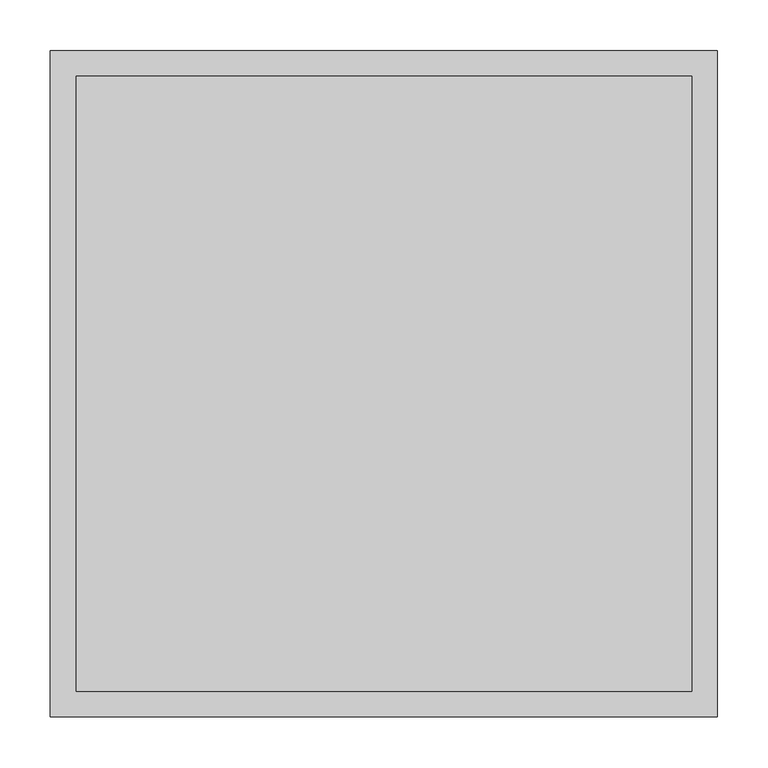
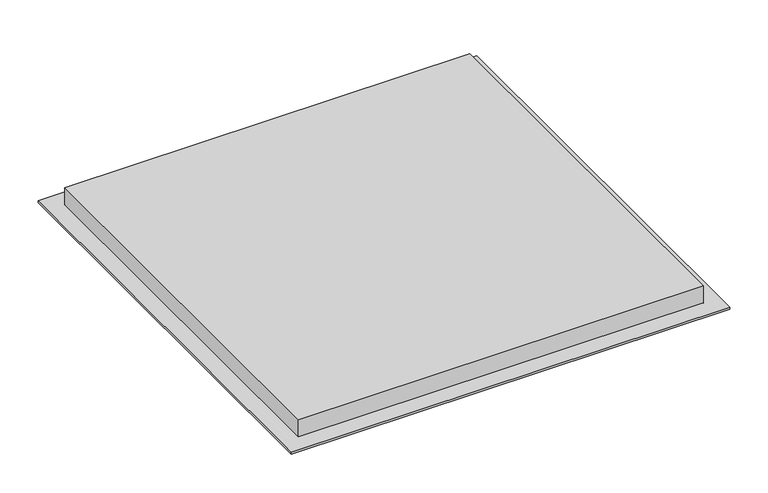
"""IFC4 building model written with IfcOpenShell, lengths in millimetres: proxy geometry."""

import ifcopenshell
import ifcopenshell.guid

model = None  # the IFC model being written
_history = None  # IfcOwnerHistory: only IFC2X3 demands one
_inside = {}  # id of a spatial element -> (the spatial element, [elements in it])
_under = {}  # id of a project, library or spatial element -> (it, [spatial elements below it])
_declared = {}  # id of a project -> (the project, [libraries it declares])
_typed = {}  # id of a type object -> (the type object, [elements of that type])
_made_of = {}  # id of a material, layer set ... -> (it, [elements and type objects made of it])


def new_model(schema):
    """Start an empty IFC model of exactly this schema.

    Asked for "IFC4X3", IfcOpenShell would pick the latest addendum, in which some entities
    have other attributes; the version numbers below select the first issue.
    IFC2X3 requires an IfcOwnerHistory on every rooted entity: one is made here for all.
    """
    global model, _history
    if schema == "IFC4X3":
        model = ifcopenshell.file(schema_version=(4, 3, 0, 0))
    else:
        model = ifcopenshell.file(schema=schema)
    _inside.clear()
    _under.clear()
    _declared.clear()
    _typed.clear()
    _made_of.clear()
    _history = None
    if model.schema == "IFC2X3":
        org = make("IfcOrganization", Name="unknown")
        user = make(
            "IfcPersonAndOrganization",
            ThePerson=make("IfcPerson", FamilyName="unknown"),
            TheOrganization=org,
        )
        app = make(
            "IfcApplication",
            ApplicationDeveloper=org,
            Version="unknown",
            ApplicationFullName="unknown",
            ApplicationIdentifier="unknown",
        )
        _history = make(
            "IfcOwnerHistory",
            OwningUser=user,
            OwningApplication=app,
            ChangeAction="ADDED",
            CreationDate=0,
        )
    return model


def make(cls, **values):
    """One entity of the class cls with the attributes given. An attribute that is None is left unset."""
    return model.create_entity(
        cls, **{name: value for name, value in values.items() if value is not None}
    )


def rooted(cls, **values):
    """An entity with a GlobalId (a new one), such as an element, a storey or a relation."""
    return make(cls, GlobalId=ifcopenshell.guid.new(), OwnerHistory=_history, **values)


def si_unit(unit_type, name, prefix=None):
    """IfcSIUnit, for example si_unit("LENGTHUNIT", "METRE", prefix="MILLI")."""
    return make("IfcSIUnit", UnitType=unit_type, Prefix=prefix, Name=name)


def assignment(units):
    """IfcUnitAssignment: the units of a project."""
    return None if units is None else make("IfcUnitAssignment", Units=units)


def point(xyz):
    """IfcCartesianPoint."""
    return None if xyz is None else make("IfcCartesianPoint", Coordinates=xyz)


def direction(xyz):
    """IfcDirection."""
    return None if xyz is None else make("IfcDirection", DirectionRatios=xyz)


def frame(location, z_axis=None, x_axis=None):
    """IfcAxis2Placement3D, a coordinate frame: its origin and axes. An axis left out is left unset."""
    return make(
        "IfcAxis2Placement3D",
        Location=point(location),
        Axis=direction(z_axis),
        RefDirection=direction(x_axis),
    )


def origin():
    """The frame at (0, 0, 0) with its axes left unset."""
    return frame((0.0, 0.0, 0.0))


def place(relative_to, where):
    """IfcLocalPlacement: puts the frame where relative to a parent placement (None: the world)."""
    return make(
        "IfcLocalPlacement", PlacementRelTo=relative_to, RelativePlacement=where
    )


def context(
    kind, dimensions, precision=None, world=None, true_north=None, identifier=None
):
    """IfcGeometricRepresentationContext, for example the 3D "Model" context."""
    return make(
        "IfcGeometricRepresentationContext",
        ContextIdentifier=identifier,
        ContextType=kind,
        CoordinateSpaceDimension=dimensions,
        Precision=precision,
        WorldCoordinateSystem=world,
        TrueNorth=true_north,
    )


def project(units=None, contexts=None):
    """IfcProject with its units and contexts."""
    return rooted(
        "IfcProject",
        Name="project",
        RepresentationContexts=contexts,
        UnitsInContext=assignment(units),
    )


def spatial(cls, under=None, at=None, **own):
    """A site, building, storey or space (cls), placed at a placement, below another one or the project."""
    s = rooted(cls, ObjectPlacement=at, **own)
    if under is not None:
        _under.setdefault(under.id(), (under, []))[1].append(s)
    return s


def polyline(points):
    """IfcPolyline through the points."""
    return make("IfcPolyline", Points=[point(p) for p in points])


def ellipse_curve(where, semi_axis1, semi_axis2):
    """IfcEllipse in the frame where."""
    return make(
        "IfcEllipse", Position=where, SemiAxis1=semi_axis1, SemiAxis2=semi_axis2
    )


def outline(outer, holes=None, kind="AREA"):
    """IfcArbitraryClosedProfileDef: a profile drawn as a closed curve; with holes, ...WithVoids."""
    if holes is None:
        return make("IfcArbitraryClosedProfileDef", ProfileType=kind, OuterCurve=outer)
    return make(
        "IfcArbitraryProfileDefWithVoids",
        ProfileType=kind,
        OuterCurve=outer,
        InnerCurves=holes,
    )


def extrude(swept, where, along, depth):
    """IfcExtrudedAreaSolid: the profile swept, set in the frame where, extruded along a direction by depth."""
    return make(
        "IfcExtrudedAreaSolid",
        SweptArea=swept,
        Position=where,
        ExtrudedDirection=direction(along),
        Depth=depth,
    )


def shape(context_of_items, identifier, shape_type, items):
    """IfcShapeRepresentation: the items that make up one representation, for example the "Body"."""
    return make(
        "IfcShapeRepresentation",
        ContextOfItems=context_of_items,
        RepresentationIdentifier=identifier,
        RepresentationType=shape_type,
        Items=items,
    )


def source(mapping_origin, context_of_items, identifier, shape_type, items):
    """IfcRepresentationMap: a shape defined once, which mapped items show again and again."""
    return make(
        "IfcRepresentationMap",
        MappingOrigin=mapping_origin,
        MappedRepresentation=shape(context_of_items, identifier, shape_type, items),
    )


def transform(
    local_origin,
    x_axis=None,
    y_axis=None,
    z_axis=None,
    scale=None,
    scale2=None,
    scale3=None,
    uniform=True,
):
    """IfcCartesianTransformationOperator3D, or its non-uniform kind. x_axis, y_axis, z_axis: its Axis1, 2, 3."""
    if uniform:
        return make(
            "IfcCartesianTransformationOperator3D",
            Axis1=direction(x_axis),
            Axis2=direction(y_axis),
            LocalOrigin=point(local_origin),
            Scale=scale,
            Axis3=direction(z_axis),
        )
    return make(
        "IfcCartesianTransformationOperator3DnonUniform",
        Axis1=direction(x_axis),
        Axis2=direction(y_axis),
        LocalOrigin=point(local_origin),
        Scale=scale,
        Axis3=direction(z_axis),
        Scale2=scale2,
        Scale3=scale3,
    )


def mapped(mapping_source, mapping_target):
    """IfcMappedItem: shows the shape of a source again, moved by a transform."""
    return make(
        "IfcMappedItem", MappingSource=mapping_source, MappingTarget=mapping_target
    )


def made_of(thing, what):
    """Note that an element or type object is made of a material, layer set ...; save() writes the relation."""
    if what is not None:
        _made_of.setdefault(what.id(), (what, []))[1].append(thing)
    return thing


def element(
    cls,
    number,
    at=None,
    inside=None,
    cuts=None,
    type_object=None,
    material=None,
    context=None,
    identifier="Body",
    shape_type=None,
    held_by="IfcProductDefinitionShape",
    body=None,
    shapes=None,
    **own,
):
    """One element of the class cls, such as IfcWall. Its Tag is "e" and its number.

    at: its placement. inside: the storey or other place that contains it. cuts: it is an
    opening in that element (IfcRelVoidsElement). A single representation is given by context,
    identifier, shape_type and body (its items); several are given by shapes. held_by: the class
    of the entity that holds the representations. save() writes the other relations.
    """
    e = rooted(cls, Tag="e%d" % number, ObjectPlacement=at, **own)
    if body is not None:
        shapes = [shape(context, identifier, shape_type, body)]
    if shapes is not None:
        e.Representation = make(held_by, Representations=shapes)
    if inside is not None:
        _inside.setdefault(inside.id(), (inside, []))[1].append(e)
    if cuts is not None:
        rooted(
            "IfcRelVoidsElement", RelatingBuildingElement=cuts, RelatedOpeningElement=e
        )
    if type_object is not None:
        _typed.setdefault(type_object.id(), (type_object, []))[1].append(e)
    return made_of(e, material)


def aggregate(whole, parts):
    """IfcRelAggregates: a whole, such as a stair, and the parts it consists of."""
    return rooted("IfcRelAggregates", RelatingObject=whole, RelatedObjects=parts)


def save(model, path):
    """Write the relations noted so far, then the file.

    IfcRelAggregates (storeys below a building ...), IfcRelContainedInSpatialStructure (elements
    in a storey), IfcRelDefinesByType, IfcRelAssociatesMaterial and IfcRelDeclares: one each for
    every whole, place, type object, material and project.
    """
    for whole, parts in _under.values():
        aggregate(whole, parts)
    for where, things in _inside.values():
        rooted(
            "IfcRelContainedInSpatialStructure",
            RelatedElements=things,
            RelatingStructure=where,
        )
    for kind, things in _typed.values():
        rooted("IfcRelDefinesByType", RelatedObjects=things, RelatingType=kind)
    for what, things in _made_of.values():
        rooted("IfcRelAssociatesMaterial", RelatedObjects=things, RelatingMaterial=what)
    for by, libraries in _declared.values():
        rooted("IfcRelDeclares", RelatingContext=by, RelatedDefinitions=libraries)
    model.write(path)


def plane_surface(at):
    """IfcPlane: the flat surface through the origin of the frame at, square to its z axis."""
    return make("IfcPlane", Position=at)


def cylinder_surface(at, radius):
    """IfcCylindricalSurface: all points at the distance radius from the z axis of the frame at."""
    return make("IfcCylindricalSurface", Position=at, Radius=radius)


def revolved_surface(curve, axis_point, axis_direction):
    """IfcSurfaceOfRevolution: the curve turned about the line through axis_point along axis_direction."""
    return make(
        "IfcSurfaceOfRevolution",
        SweptCurve=make("IfcArbitraryOpenProfileDef", ProfileType="CURVE", Curve=curve),
        AxisPosition=make("IfcAxis1Placement", Location=point(axis_point), Axis=direction(axis_direction)),
    )


def advanced_brep(points, edges, surfaces, faces):
    """IfcAdvancedBrep: a solid bounded by faces that lie on surfaces and meet in shared edges.

    An edge is (start, end): straight between two places in points (the first is 0);
    or (start, end, curve); or (start, end, curve, False) where it runs against its curve.
    A face is (place in surfaces, loops), or (place, loops, False) where it looks against
    its surface's normal. A loop lists edges by number (the first is 1), with a minus sign
    where the edge is run from its end to its start. The first loop is the outer one.
    """
    corners = [point(p) for p in points]
    vertices = [make("IfcVertexPoint", VertexGeometry=c) for c in corners]
    made = []
    for start, end, *more in edges:
        made.append(
            make(
                "IfcEdgeCurve",
                EdgeStart=vertices[start],
                EdgeEnd=vertices[end],
                EdgeGeometry=more[0] if more else make("IfcPolyline", Points=[corners[start], corners[end]]),
                SameSense=more[1] if len(more) > 1 else True,
            )
        )
    hull = []
    for where, loops, *sense in faces:
        bounds = []
        for j, loop in enumerate(loops):
            ring = [make("IfcOrientedEdge", EdgeElement=made[abs(k) - 1], Orientation=k > 0) for k in loop]
            bounds.append(
                make(
                    "IfcFaceOuterBound" if j == 0 else "IfcFaceBound",
                    Bound=make("IfcEdgeLoop", EdgeList=ring),
                    Orientation=True,
                )
            )
        hull.append(make("IfcAdvancedFace", Bounds=bounds, FaceSurface=surfaces[where], SameSense=sense[0] if sense else True))
    return make("IfcAdvancedBrep", Outer=make("IfcClosedShell", CfsFaces=hull))


def generic_models_947d20f1(model_context):
    return source(origin(), model_context, "Body", "SolidModel", [
        advanced_brep(
        [(-314.6031799, -314.6031799, 2435.225), (-304.8, -304.8, 2435.225), (304.8, -304.8, 2435.225), (314.6031799, -314.6031799, 2435.225), (-320.3968201, -320.3968201, 2435.225), (320.3968201, -320.3968201, 2435.225), (-330.2, -330.2, 2435.225), (330.2, -330.2, 2435.225), (-330.2, -330.2, 2438.4), (330.2, -330.2, 2438.4), (-304.8, -304.8, 2438.4), (304.8, -304.8, 2438.4), (304.8, 304.8, 2435.225), (314.6031799, 314.6031799, 2435.225), (320.3968201, 320.3968201, 2435.225), (330.2, 330.2, 2435.225), (330.2, 330.2, 2438.4), (304.8, 304.8, 2438.4), (-304.8, 304.8, 2435.225), (-314.6031799, 314.6031799, 2435.225), (-320.3968201, 320.3968201, 2435.225), (-330.2, 330.2, 2435.225), (-330.2, 330.2, 2438.4), (-304.8, 304.8, 2438.4)],
        [
            (0, 1, ellipse_curve(frame((-309.7015899, -309.7015899, 2454.5273933), z_axis=(0.7071067811865459, -0.7071067811865491, 0.0), x_axis=(-0.7071067811865491, -0.7071067811865458, 0.0)), 28.1640896, 19.9150188)),
            (1, 2),
            (2, 3, ellipse_curve(frame((309.7015899, -309.7015899, 2454.5273933), z_axis=(-0.7071067811865491, -0.7071067811865459, 0.0), x_axis=(-0.7071067811865458, 0.7071067811865491, 0.0)), 28.1640896, 19.9150188)),
            (3, 0),
            (4, 0, ellipse_curve(frame((-317.5, -317.5, 2423.8173625), z_axis=(-0.7071067811865459, 0.7071067811865491, 0.0), x_axis=(0.7071067811865491, 0.7071067811865458, 0.0)), 16.6448646, 11.7696966)),
            (3, 5, ellipse_curve(frame((317.5, -317.5, 2423.8173625), z_axis=(0.7071067811865491, 0.7071067811865459, 0.0), x_axis=(0.7071067811865458, -0.7071067811865491, 0.0)), 16.6448646, 11.7696966)),
            (5, 4),
            (6, 4, ellipse_curve(frame((-325.2984101, -325.2984101, 2454.5273933), z_axis=(0.7071067811865482, -0.7071067811865468, 0.0), x_axis=(-0.7071067811865468, -0.7071067811865481, 0.0)), 28.1640896, 19.9150188)),
            (5, 7, ellipse_curve(frame((325.2984101, -325.2984101, 2454.5273933), z_axis=(-0.7071067811865468, -0.7071067811865482, 0.0), x_axis=(-0.7071067811865482, 0.7071067811865467, 0.0)), 28.1640896, 19.9150188)),
            (7, 6),
            (8, 6),
            (7, 9),
            (9, 8),
            (1, 10),
            (10, 11),
            (11, 2),
            (2, 12),
            (12, 13, ellipse_curve(frame((309.7015899, 309.7015899, 2454.5273933), z_axis=(0.7071067811865459, -0.7071067811865491, 0.0), x_axis=(-0.7071067811865491, -0.7071067811865458, 0.0)), 28.1640896, 19.9150188)),
            (13, 3),
            (13, 14, ellipse_curve(frame((317.5, 317.5, 2423.8173625), z_axis=(-0.7071067811865459, 0.7071067811865491, 0.0), x_axis=(0.7071067811865491, 0.7071067811865458, 0.0)), 16.6448646, 11.7696966)),
            (14, 5),
            (14, 15, ellipse_curve(frame((325.2984101, 325.2984101, 2454.5273933), z_axis=(0.7071067811865482, -0.7071067811865468, 0.0), x_axis=(-0.7071067811865467, -0.7071067811865482, 0.0)), 28.1640896, 19.9150188)),
            (15, 7),
            (15, 16),
            (16, 9),
            (11, 17),
            (17, 12),
            (12, 18),
            (18, 19, ellipse_curve(frame((-309.7015899, 309.7015899, 2454.5273933), z_axis=(0.7071067811865491, 0.7071067811865459, 0.0), x_axis=(0.7071067811865458, -0.7071067811865491, 0.0)), 28.1640896, 19.9150188)),
            (19, 13),
            (19, 20, ellipse_curve(frame((-317.5, 317.5, 2423.8173625), z_axis=(-0.7071067811865491, -0.7071067811865459, 0.0), x_axis=(-0.7071067811865458, 0.7071067811865491, 0.0)), 16.6448646, 11.7696966)),
            (20, 14),
            (20, 21, ellipse_curve(frame((-325.2984101, 325.2984101, 2454.5273933), z_axis=(0.7071067811865468, 0.7071067811865482, 0.0), x_axis=(0.7071067811865482, -0.7071067811865467, 0.0)), 28.1640896, 19.9150188)),
            (21, 15),
            (21, 22),
            (22, 16),
            (17, 23),
            (23, 18),
            (18, 1),
            (0, 19),
            (4, 20),
            (6, 21),
            (8, 22),
            (10, 23),
        ],
        [
            cylinder_surface(frame((-304.8, -309.7015899, 2454.5273933), z_axis=(-1.0, 0.0, 0.0), x_axis=(0.0, -1.0, 0.0)), 19.9150188),
            revolved_surface(polyline([(329.2696966305918, -329.2696966, 2423.8173625), (-329.26969663059197, -329.2696966, 2423.8173625)]), (-304.8, -317.5, 2423.8173625), (1.0, 0.0, 0.0)),
            cylinder_surface(frame((-304.8, -325.2984101, 2454.5273933), z_axis=(-1.0, 0.0, 0.0), x_axis=(0.0, 1.0, 0.0)), 19.9150188),
            plane_surface(frame((-330.2, -330.2, 2435.225), z_axis=(0.0, -1.0, 0.0), x_axis=(1.0, 0.0, 0.0))),
            plane_surface(frame((-304.8, -304.8, 2438.4), z_axis=(0.0, 1.0, 0.0), x_axis=(1.0, 0.0, 0.0))),
            cylinder_surface(frame((309.7015899, -304.8, 2454.5273933), z_axis=(0.0, -1.0, 0.0), x_axis=(1.0, 0.0, 0.0)), 19.9150188),
            revolved_surface(polyline([(329.2696966, 329.2696966305918, 2423.8173625), (329.2696966, -329.26969663059197, 2423.8173625)]), (317.5, -304.8, 2423.8173625), (0.0, 1.0, 0.0)),
            cylinder_surface(frame((325.2984101, -304.8, 2454.5273933), z_axis=(0.0, -1.0, 0.0), x_axis=(-1.0, 0.0, 0.0)), 19.9150188),
            plane_surface(frame((330.2, -330.2, 2435.225), z_axis=(1.0, 0.0, 0.0), x_axis=(0.0, 1.0, 0.0))),
            plane_surface(frame((304.8, -304.8, 2438.4), z_axis=(-1.0, 0.0, 0.0), x_axis=(0.0, 1.0, 0.0))),
            cylinder_surface(frame((304.8, 309.7015899, 2454.5273933), z_axis=(1.0, 0.0, 0.0), x_axis=(0.0, 1.0, 0.0)), 19.9150188),
            revolved_surface(polyline([(-329.2696966305918, 329.2696966, 2423.8173625), (329.26969663059197, 329.2696966, 2423.8173625)]), (304.8, 317.5, 2423.8173625), (-1.0, 0.0, 0.0)),
            cylinder_surface(frame((304.8, 325.2984101, 2454.5273933), z_axis=(1.0, 0.0, 0.0), x_axis=(0.0, -1.0, 0.0)), 19.9150188),
            plane_surface(frame((330.2, 330.2, 2435.225), z_axis=(0.0, 1.0, 0.0), x_axis=(-1.0, 0.0, 0.0))),
            plane_surface(frame((304.8, 304.8, 2438.4), z_axis=(0.0, -1.0, 0.0), x_axis=(-1.0, 0.0, 0.0))),
            cylinder_surface(frame((-309.7015899, 304.8, 2454.5273933), z_axis=(0.0, 1.0, 0.0), x_axis=(-1.0, 0.0, 0.0)), 19.9150188),
            revolved_surface(polyline([(-329.2696966, -329.2696966305918, 2423.8173625), (-329.2696966, 329.26969663059197, 2423.8173625)]), (-317.5, 304.8, 2423.8173625), (0.0, -1.0, 0.0)),
            cylinder_surface(frame((-325.2984101, 304.8, 2454.5273933), z_axis=(0.0, 1.0, 0.0), x_axis=(1.0, 0.0, 0.0)), 19.9150188),
            plane_surface(frame((-330.2, 330.2, 2435.225), z_axis=(-1.0, 0.0, 0.0), x_axis=(0.0, -1.0, 0.0))),
            plane_surface(frame((-330.2, 330.2, 2438.4), z_axis=(0.0, 0.0, 1.0), x_axis=(0.0, -1.0, 0.0))),
            plane_surface(frame((-304.8, 304.8, 2438.4), z_axis=(1.0, 0.0, 0.0), x_axis=(0.0, -1.0, 0.0))),
        ],
        [
            (0, [[1, 2, 3, 4]]),
            (1, [[5, -4, 6, 7]]),
            (2, [[8, -7, 9, 10]]),
            (3, [[11, -10, 12, 13]]),
            (4, [[14, 15, 16, -2]]),
            (5, [[-3, 17, 18, 19]]),
            (6, [[-6, -19, 20, 21]]),
            (7, [[-9, -21, 22, 23]]),
            (8, [[-12, -23, 24, 25]]),
            (9, [[-16, 26, 27, -17]]),
            (10, [[-18, 28, 29, 30]]),
            (11, [[-20, -30, 31, 32]]),
            (12, [[-22, -32, 33, 34]]),
            (13, [[-24, -34, 35, 36]]),
            (14, [[-27, 37, 38, -28]]),
            (15, [[-29, 39, -1, 40]]),
            (16, [[-31, -40, -5, 41]]),
            (17, [[-33, -41, -8, 42]]),
            (18, [[-35, -42, -11, 43]]),
            (19, [[-25, -36, -43, -13], [44, -37, -26, -15]]),
            (20, [[-38, -44, -14, -39]]),
        ],
    ),
        extrude(outline(polyline([(304.8, 304.8), (304.8, -304.8), (-304.8, -304.8), (-304.8, 304.8), (304.8, 304.8)])), frame((0.0, 0.0, 2438.4), z_axis=(0.0, 0.0, 1.0), x_axis=(1.0, 0.0, 0.0)), (0.0, 0.0, 1.0), 27.5594421),
    ])


if __name__ == "__main__":
    model = new_model("IFC4")
    model_context = context("Model", 3, world=origin())
    ifc_project = project(units=[si_unit("LENGTHUNIT", "METRE", prefix="MILLI")], contexts=[model_context])
    site = spatial("IfcSite", under=ifc_project)
    building = spatial("IfcBuilding", under=site)
    placement = place(None, origin())
    generic_models_shape = generic_models_947d20f1(model_context)
    element("IfcBuildingElementProxy", 1, Name="Generic Models", at=placement, inside=building, context=model_context, shape_type="MappedRepresentation", body=[
        mapped(generic_models_shape, transform((0.0, 0.0, 0.0), x_axis=(1.0, 0.0, 0.0), y_axis=(0.0, 1.0, 0.0), z_axis=(0.0, 0.0, 1.0))),
    ])
    save(model, "model.ifc")
